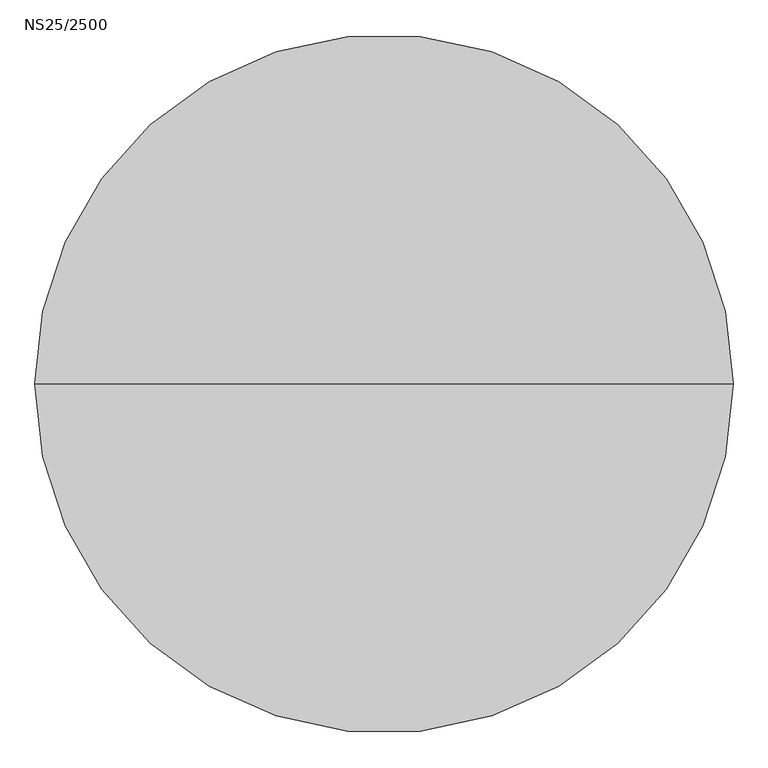
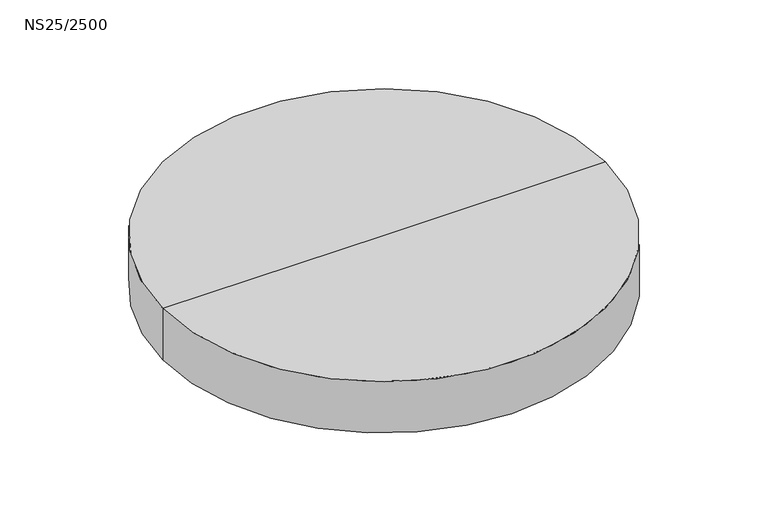
"""IFC4 building model written with IfcOpenShell, lengths in millimetres: proxy geometry, NS25/2500."""

from ifc_helpers import new_model, si_unit, frame, origin, place, context, project, spatial, polyline, circle_curve, source, transform, mapped, element, save
from ifc_brep_helpers import plane_surface, cylinder_surface, revolved_surface, advanced_brep


def ns25_2500_3149e5c8(model_context):
    return source(origin(), model_context, "Body", "AdvancedBrep", [
        advanced_brep(
        [(-1160.0, 0.0, -785.1822102), (1160.0, 0.0, -785.1822102), (1160.0, 0.0, -725.1822102), (-1160.0, 0.0, -725.1822102), (-1220.0, 0.0, -785.1822102), (1220.0, 0.0, -785.1822102), (0.0, 0.0, -485.1822102), (1220.0, 0.0, -485.1822102), (-1220.0, 0.0, -485.1822102), (0.0, 0.0, -725.1822102)],
        [
            (0, 1, circle_curve(frame((0.0, 0.0, -785.1822102), z_axis=(0.0, 0.0, -1.0), x_axis=(1.0, 0.0, 0.0)), 1160.0)),
            (1, 2),
            (2, 3, circle_curve(frame((0.0, 0.0, -725.1822102), z_axis=(0.0, 0.0, 1.0), x_axis=(1.0, 0.0, 0.0)), 1160.0)),
            (3, 0),
            (1, 0, circle_curve(frame((0.0, 0.0, -785.1822102), z_axis=(0.0, 0.0, -1.0), x_axis=(1.0, 0.0, 0.0)), 1160.0)),
            (3, 2, circle_curve(frame((0.0, 0.0, -725.1822102), z_axis=(0.0, 0.0, 1.0), x_axis=(1.0, 0.0, 0.0)), 1160.0)),
            (4, 5, circle_curve(frame((0.0, 0.0, -785.1822102), z_axis=(0.0, 0.0, -1.0), x_axis=(1.0, 0.0, 0.0)), 1220.0)),
            (5, 1),
            (0, 4),
            (5, 4, circle_curve(frame((0.0, 0.0, -785.1822102), z_axis=(0.0, 0.0, -1.0), x_axis=(1.0, 0.0, 0.0)), 1220.0)),
            (6, 7),
            (7, 8, circle_curve(frame((0.0, 0.0, -485.1822102), z_axis=(0.0, 0.0, 1.0), x_axis=(1.0, 0.0, 0.0)), 1220.0)),
            (8, 6),
            (8, 7, circle_curve(frame((0.0, 0.0, -485.1822102), z_axis=(0.0, 0.0, 1.0), x_axis=(1.0, 0.0, 0.0)), 1220.0)),
            (2, 9),
            (9, 3),
            (7, 5),
            (4, 8),
        ],
        [
            revolved_surface(polyline([(1160.0, 0.0, -725.1822102), (1160.0, 0.0, -785.1822102)]), (0.0, 0.0, 19.8177898), (0.0, 0.0, 1.0)),
            plane_surface(frame((0.0, 0.0, -785.1822102), z_axis=(0.0, 0.0, -1.0), x_axis=(1.0, 0.0, 0.0))),
            plane_surface(frame((0.0, 0.0, -485.1822102), z_axis=(0.0, 0.0, 1.0), x_axis=(1.0, 0.0, 0.0))),
            plane_surface(frame((0.0, 0.0, -725.1822102), z_axis=(0.0, 0.0, -1.0), x_axis=(1.0, 0.0, 0.0))),
            cylinder_surface(frame((0.0, 0.0, 19.8177898), z_axis=(0.0, 0.0, 1.0), x_axis=(1.0, 0.0, 0.0)), 1220.0),
        ],
        [
            (0, [[1, 2, 3, 4]]),
            (0, [[5, -4, 6, -2]]),
            (1, [[7, 8, -1, 9]]),
            (1, [[10, -9, -5, -8]]),
            (2, [[11, 12, 13]]),
            (2, [[-13, 14, -11]]),
            (3, [[-3, 15, 16]]),
            (3, [[-6, -16, -15]]),
            (4, [[-12, 17, -7, 18]]),
            (4, [[-14, -18, -10, -17]]),
        ],
    ),
    ])


if __name__ == "__main__":
    model = new_model("IFC4")
    model_context = context("Model", 3, world=origin())
    ifc_project = project(units=[si_unit("LENGTHUNIT", "METRE", prefix="MILLI")], contexts=[model_context])
    site = spatial("IfcSite", under=ifc_project)
    building = spatial("IfcBuilding", under=site)
    placement = place(None, origin())
    ns25_2500_shape = ns25_2500_3149e5c8(model_context)
    element("IfcBuildingElementProxy", 1, Name="NS25/2500", ObjectType="NS25/2500", at=placement, inside=building, context=model_context, shape_type="MappedRepresentation", body=[
        mapped(ns25_2500_shape, transform((0.0, 0.0, 0.0), x_axis=(1.0, 0.0, 0.0), y_axis=(0.0, 1.0, 0.0), z_axis=(0.0, 0.0, 1.0))),
    ])
    save(model, "model.ifc")
